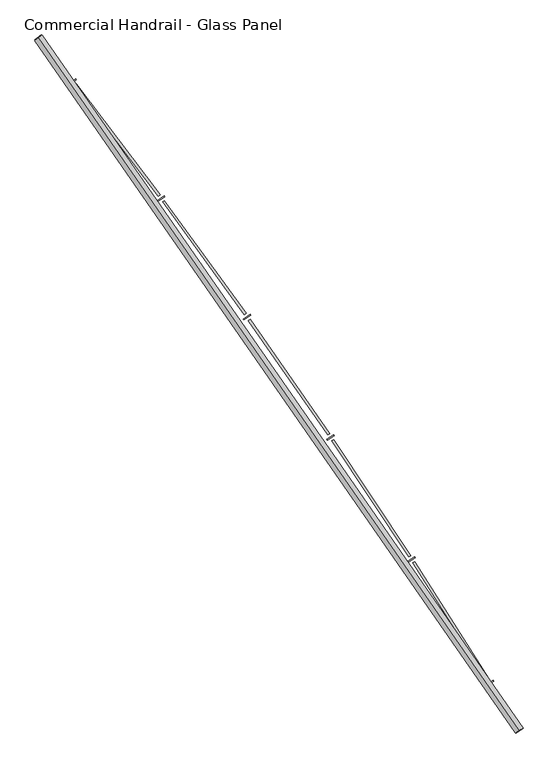
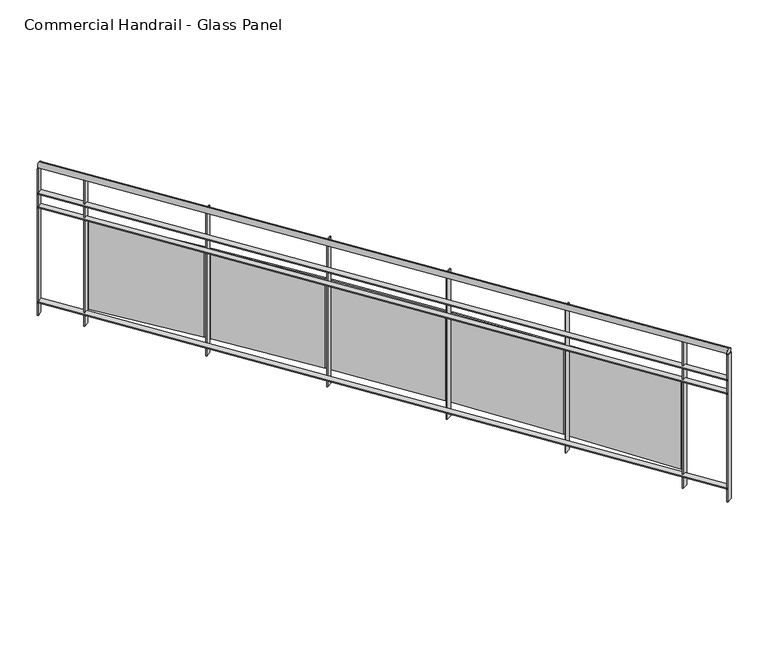
"""IFC4 building model written with IfcOpenShell, lengths in millimetres: railing geometry, Commercial Handrail - Glass Panel."""

from ifc_helpers import new_model, si_unit, point, frame, origin, place, context, project, spatial, polyline, circle_curve, ellipse_curve, trimmed, outline, extrude, source, transform, mapped, element, save
from ifc_brep_helpers import plane_surface, cylinder_surface, revolved_surface, advanced_brep


def commercial_handrail_glass_panel_f2c278e4(model_context):
    return source(origin(), model_context, "Body", "SolidModel", [
        advanced_brep(
        [(174947.1226561, -30258.7265853, 19682.5), (172321.2493354, -26475.2644148, 19682.5), (172321.2493354, -26475.2644148, 19717.5), (174947.1226561, -30258.7265853, 19717.5)],
        [
            (0, 1, circle_curve(frame((141591.4318743, -50605.9420988, 19682.5), z_axis=(0.0, 0.0, 1.0), x_axis=(0.7864946016239663, 0.6175971515610791, 0.0)), 39071.873345)),
            (1, 2, ellipse_curve(frame((172321.2493354, -26475.2644148, 19700.0), z_axis=(0.6175971515610744, -0.78649460162397, 0.0), x_axis=(-0.78649460162397, -0.6175971515610744, 0.0)), 25.0, 17.5)),
            (2, 3, circle_curve(frame((141591.4318743, -50605.9420988, 19717.5), z_axis=(0.0, 0.0, -1.0), x_axis=(0.7864946016239663, 0.6175971515610791, 0.0)), 39071.873345)),
            (3, 0, ellipse_curve(frame((174947.1226561, -30258.7265853, 19700.0), z_axis=(-0.5207637559080609, 0.8537008319853798, 0.0), x_axis=(-0.8537008319853798, -0.5207637559080609, 0.0)), 25.0, 17.5)),
            (2, 1, ellipse_curve(frame((172321.2493354, -26475.2644148, 19700.0), z_axis=(0.6175971515610744, -0.78649460162397, 0.0), x_axis=(-0.78649460162397, -0.6175971515610744, 0.0)), 25.0, 17.5)),
            (0, 3, ellipse_curve(frame((174947.1226561, -30258.7265853, 19700.0), z_axis=(-0.5207637559080609, 0.8537008319853798, 0.0), x_axis=(-0.8537008319853798, -0.5207637559080609, 0.0)), 25.0, 17.5)),
        ],
        [
            revolved_surface(trimmed(ellipse_curve(frame((172321.2493354, -26475.2644148, 19700.0), z_axis=(-0.6175971515610791, 0.7864946016239663, 0.0), x_axis=(0.0, 0.0, -1.0)), 17.5, 25.0), [point((172321.2493354, -26475.2644148, 19717.5))], [point((172321.2493354, -26475.2644148, 19682.5))], True, "CARTESIAN"), (141591.4318743, -50605.9420988, 19700.0), (0.0, 0.0, -1.0)),
            revolved_surface(trimmed(ellipse_curve(frame((172321.2493354, -26475.2644148, 19700.0), z_axis=(-0.6175971515610791, 0.7864946016239663, 0.0), x_axis=(0.0, 0.0, -1.0)), 17.5, 25.0), [point((172321.2493354, -26475.2644148, 19682.5))], [point((172321.2493354, -26475.2644148, 19717.5))], True, "CARTESIAN"), (141591.4318743, -50605.9420988, 19700.0), (0.0, 0.0, -1.0)),
            plane_surface(frame((172321.2493354, -26475.2644148, 19700.0), z_axis=(-0.6175971515610791, 0.7864946016239663, 0.0), x_axis=(0.7864946016239663, 0.6175971515610791, 0.0))),
            plane_surface(frame((174947.1226561, -30258.7265853, 19700.0), z_axis=(0.5207637559080605, -0.85370083198538, 0.0), x_axis=(0.85370083198538, 0.5207637559080605, 0.0))),
        ],
        [
            (0, [[1, 2, 3, 4]]),
            (1, [[-3, 5, -1, 6]]),
            (2, [[-2, -5]]),
            (3, [[-6, -4]]),
        ],
    ),
        advanced_brep(
        [(174966.3309248, -30247.0094008, 19500.0), (172338.945464, -26461.3684789, 19500.0), (172303.5532069, -26489.1603507, 19500.0), (174927.9143874, -30270.4437698, 19500.0), (174966.3309248, -30247.0094008, 19494.0), (172338.945464, -26461.3684789, 19494.0), (174927.9143874, -30270.4437698, 19494.0), (172303.5532069, -26489.1603507, 19494.0)],
        [
            (0, 1, circle_curve(frame((141591.4318743, -50605.9420988, 19500.0), z_axis=(0.0, 0.0, 1.0), x_axis=(0.7864946016239663, 0.6175971515610791, 0.0)), 39094.373345)),
            (1, 2),
            (2, 3, circle_curve(frame((141591.4318743, -50605.9420988, 19500.0), z_axis=(0.0, 0.0, -1.0), x_axis=(0.7864946016239663, 0.6175971515610791, 0.0)), 39049.373345)),
            (3, 0),
            (4, 5, circle_curve(frame((141591.4318743, -50605.9420988, 19494.0), z_axis=(0.0, 0.0, 1.0), x_axis=(0.7864946016239663, 0.6175971515610791, 0.0)), 39094.373345)),
            (5, 1),
            (0, 4),
            (6, 7, circle_curve(frame((141591.4318743, -50605.9420988, 19494.0), z_axis=(0.0, 0.0, 1.0), x_axis=(0.7864946016239663, 0.6175971515610791, 0.0)), 39049.373345)),
            (7, 5),
            (4, 6),
            (2, 7),
            (6, 3),
        ],
        [
            plane_surface(frame((141591.4318743, -50605.9420988, 19500.0), z_axis=(0.0, 0.0, 1.0), x_axis=(0.7864946016239663, 0.6175971515610791, 0.0))),
            cylinder_surface(frame((141591.4318743, -50605.9420988, 19500.0), z_axis=(0.0, 0.0, -1.0), x_axis=(0.7864946016239663, 0.6175971515610791, 0.0)), 39094.373345),
            plane_surface(frame((141591.4318743, -50605.9420988, 19494.0), z_axis=(0.0, 0.0, -1.0), x_axis=(0.7864946016239663, 0.6175971515610791, 0.0))),
            revolved_surface(polyline([(172303.55320694132, -26489.160350682872, 19494.0), (172303.55320694132, -26489.160350682872, 19500.0)]), (141591.4318743, -50605.9420988, 19500.0), (0.0, 0.0, -1.0)),
            plane_surface(frame((172321.2493354, -26475.2644148, 19500.0), z_axis=(-0.6175971515610791, 0.7864946016239663, 0.0), x_axis=(0.7864946016239663, 0.6175971515610791, 0.0))),
            plane_surface(frame((174947.1226561, -30258.7265853, 19500.0), z_axis=(0.5207637559080605, -0.85370083198538, 0.0), x_axis=(0.85370083198538, 0.5207637559080605, 0.0))),
        ],
        [
            (0, [[1, 2, 3, 4]]),
            (1, [[5, 6, -1, 7]]),
            (2, [[8, 9, -5, 10]]),
            (3, [[-3, 11, -8, 12]]),
            (4, [[-2, -6, -9, -11]]),
            (5, [[-12, -10, -7, -4]]),
        ],
    ),
        advanced_brep(
        [(174966.3309248, -30247.0094008, 19400.0), (172338.945464, -26461.3684789, 19400.0), (172303.5532069, -26489.1603507, 19400.0), (174927.9143874, -30270.4437698, 19400.0), (174966.3309248, -30247.0094008, 19394.0), (172338.945464, -26461.3684789, 19394.0), (174927.9143874, -30270.4437698, 19394.0), (172303.5532069, -26489.1603507, 19394.0)],
        [
            (0, 1, circle_curve(frame((141591.4318743, -50605.9420988, 19400.0), z_axis=(0.0, 0.0, 1.0), x_axis=(0.7864946016239663, 0.6175971515610791, 0.0)), 39094.373345)),
            (1, 2),
            (2, 3, circle_curve(frame((141591.4318743, -50605.9420988, 19400.0), z_axis=(0.0, 0.0, -1.0), x_axis=(0.7864946016239663, 0.6175971515610791, 0.0)), 39049.373345)),
            (3, 0),
            (4, 5, circle_curve(frame((141591.4318743, -50605.9420988, 19394.0), z_axis=(0.0, 0.0, 1.0), x_axis=(0.7864946016239663, 0.6175971515610791, 0.0)), 39094.373345)),
            (5, 1),
            (0, 4),
            (6, 7, circle_curve(frame((141591.4318743, -50605.9420988, 19394.0), z_axis=(0.0, 0.0, 1.0), x_axis=(0.7864946016239663, 0.6175971515610791, 0.0)), 39049.373345)),
            (7, 5),
            (4, 6),
            (2, 7),
            (6, 3),
        ],
        [
            plane_surface(frame((141591.4318743, -50605.9420988, 19400.0), z_axis=(0.0, 0.0, 1.0), x_axis=(0.7864946016239663, 0.6175971515610791, 0.0))),
            cylinder_surface(frame((141591.4318743, -50605.9420988, 19400.0), z_axis=(0.0, 0.0, -1.0), x_axis=(0.7864946016239663, 0.6175971515610791, 0.0)), 39094.373345),
            plane_surface(frame((141591.4318743, -50605.9420988, 19394.0), z_axis=(0.0, 0.0, -1.0), x_axis=(0.7864946016239663, 0.6175971515610791, 0.0))),
            revolved_surface(polyline([(172303.55320694132, -26489.160350682872, 19394.0), (172303.55320694132, -26489.160350682872, 19400.0)]), (141591.4318743, -50605.9420988, 19400.0), (0.0, 0.0, -1.0)),
            plane_surface(frame((172321.2493354, -26475.2644148, 19400.0), z_axis=(-0.6175971515610791, 0.7864946016239663, 0.0), x_axis=(0.7864946016239663, 0.6175971515610791, 0.0))),
            plane_surface(frame((174947.1226561, -30258.7265853, 19400.0), z_axis=(0.5207637559080605, -0.85370083198538, 0.0), x_axis=(0.85370083198538, 0.5207637559080605, 0.0))),
        ],
        [
            (0, [[1, 2, 3, 4]]),
            (1, [[5, 6, -1, 7]]),
            (2, [[8, 9, -5, 10]]),
            (3, [[-3, 11, -8, 12]]),
            (4, [[-2, -6, -9, -11]]),
            (5, [[-12, -10, -7, -4]]),
        ],
    ),
        advanced_brep(
        [(174966.3309248, -30247.0094008, 18700.0), (172338.945464, -26461.3684789, 18700.0), (172303.5532069, -26489.1603507, 18700.0), (174927.9143874, -30270.4437698, 18700.0), (174966.3309248, -30247.0094008, 18694.0), (172338.945464, -26461.3684789, 18694.0), (174927.9143874, -30270.4437698, 18694.0), (172303.5532069, -26489.1603507, 18694.0)],
        [
            (0, 1, circle_curve(frame((141591.4318743, -50605.9420988, 18700.0), z_axis=(0.0, 0.0, 1.0), x_axis=(0.7864946016239663, 0.6175971515610791, 0.0)), 39094.373345)),
            (1, 2),
            (2, 3, circle_curve(frame((141591.4318743, -50605.9420988, 18700.0), z_axis=(0.0, 0.0, -1.0), x_axis=(0.7864946016239663, 0.6175971515610791, 0.0)), 39049.373345)),
            (3, 0),
            (4, 5, circle_curve(frame((141591.4318743, -50605.9420988, 18694.0), z_axis=(0.0, 0.0, 1.0), x_axis=(0.7864946016239663, 0.6175971515610791, 0.0)), 39094.373345)),
            (5, 1),
            (0, 4),
            (6, 7, circle_curve(frame((141591.4318743, -50605.9420988, 18694.0), z_axis=(0.0, 0.0, 1.0), x_axis=(0.7864946016239663, 0.6175971515610791, 0.0)), 39049.373345)),
            (7, 5),
            (4, 6),
            (2, 7),
            (6, 3),
        ],
        [
            plane_surface(frame((141591.4318743, -50605.9420988, 18700.0), z_axis=(0.0, 0.0, 1.0), x_axis=(0.7864946016239663, 0.6175971515610791, 0.0))),
            cylinder_surface(frame((141591.4318743, -50605.9420988, 18700.0), z_axis=(0.0, 0.0, -1.0), x_axis=(0.7864946016239663, 0.6175971515610791, 0.0)), 39094.373345),
            plane_surface(frame((141591.4318743, -50605.9420988, 18694.0), z_axis=(0.0, 0.0, -1.0), x_axis=(0.7864946016239663, 0.6175971515610791, 0.0))),
            revolved_surface(polyline([(172303.55320694132, -26489.160350682872, 18694.0), (172303.55320694132, -26489.160350682872, 18700.0)]), (141591.4318743, -50605.9420988, 18700.0), (0.0, 0.0, -1.0)),
            plane_surface(frame((172321.2493354, -26475.2644148, 18700.0), z_axis=(-0.6175971515610791, 0.7864946016239663, 0.0), x_axis=(0.7864946016239663, 0.6175971515610791, 0.0))),
            plane_surface(frame((174947.1226561, -30258.7265853, 18700.0), z_axis=(0.5207637559080605, -0.85370083198538, 0.0), x_axis=(0.85370083198538, 0.5207637559080605, 0.0))),
        ],
        [
            (0, [[1, 2, 3, 4]]),
            (1, [[5, 6, -1, 7]]),
            (2, [[8, 9, -5, 10]]),
            (3, [[-3, 11, -8, 12]]),
            (4, [[-2, -6, -9, -11]]),
            (5, [[-12, -10, -7, -4]]),
        ],
    ),
        extrude(outline(polyline([(174767.0827529, -30009.1035934), (174805.3157733, -29985.3709966), (174808.4801195, -29990.4687326), (174770.2470991, -30014.2013295), (174767.0827529, -30009.1035934)])), frame((0.0, 0.0, 18600.0), z_axis=(0.0, 0.0, 1.0), x_axis=(1.0, 0.0, 0.0)), (0.0, 0.0, 1.0), 1082.1192282),
        extrude(outline(polyline([(174376.4508905, -29337.0184477), (174783.8574789, -29978.5945319), (174773.7273302, -29985.0272675), (174366.3207418, -29343.4511834), (174376.4508905, -29337.0184477)])), frame((0.0, 0.0, 18720.0), z_axis=(0.0, 0.0, 1.0), x_axis=(1.0, 0.0, 0.0)), (0.0, 0.0, 1.0), 660.0),
        extrude(outline(polyline([(174338.4363039, -29334.1939685), (174376.1754174, -29309.6835764), (174379.4434696, -29314.7154582), (174341.7043562, -29339.2258503), (174338.4363039, -29334.1939685)])), frame((0.0, 0.0, 18600.0), z_axis=(0.0, 0.0, 1.0), x_axis=(1.0, 0.0, 0.0)), (0.0, 0.0, 1.0), 1082.1192282),
        extrude(outline(polyline([(173934.1262806, -28670.2473592), (174354.5828818, -29303.3478619), (174344.5865581, -29309.9866503), (173924.1299568, -28676.8861476), (173934.1262806, -28670.2473592)])), frame((0.0, 0.0, 18720.0), z_axis=(0.0, 0.0, 1.0), x_axis=(1.0, 0.0, 0.0)), (0.0, 0.0, 1.0), 660.0),
        extrude(outline(polyline([(173896.0618347, -28668.2017695), (173933.2912204, -28642.9238574), (173936.6616087, -28647.8877755), (173899.432223, -28673.1656876), (173896.0618347, -28668.2017695)])), frame((0.0, 0.0, 18600.0), z_axis=(0.0, 0.0, 1.0), x_axis=(1.0, 0.0, 0.0)), (0.0, 0.0, 1.0), 1082.1192282),
        extrude(outline(polyline([(173478.243143, -28012.6720327), (173911.5734956, -28637.031549), (173901.7151874, -28643.8736072), (173468.3848349, -28019.5140909), (173478.243143, -28012.6720327)])), frame((0.0, 0.0, 18720.0), z_axis=(0.0, 0.0, 1.0), x_axis=(1.0, 0.0, 0.0)), (0.0, 0.0, 1.0), 660.0),
        extrude(outline(polyline([(173440.1447951, -28011.4061902), (173476.848846, -27985.3713549), (173480.3201573, -27990.2652284), (173443.6161065, -28016.3000637), (173440.1447951, -28011.4061902)])), frame((0.0, 0.0, 18600.0), z_axis=(0.0, 0.0, 1.0), x_axis=(1.0, 0.0, 0.0)), (0.0, 0.0, 1.0), 1082.1192282),
        extrude(outline(polyline([(173008.9925907, -27364.5681335), (173455.0150362, -27979.9249228), (173445.2988764, -27986.9673824), (172999.2764309, -27371.6105932), (173008.9925907, -27364.5681335)])), frame((0.0, 0.0, 18720.0), z_axis=(0.0, 0.0, 1.0), x_axis=(1.0, 0.0, 0.0)), (0.0, 0.0, 1.0), 660.0),
        extrude(outline(polyline([(172970.876312, -27364.0825688), (173007.0396412, -27337.3017244), (173010.6104205, -27342.1235017), (172974.4470913, -27368.904346), (172970.876312, -27364.0825688)])), frame((0.0, 0.0, 18600.0), z_axis=(0.0, 0.0, 1.0), x_axis=(1.0, 0.0, 0.0)), (0.0, 0.0, 1.0), 1082.1192282),
        extrude(outline(polyline([(172526.5713403, -26726.207356), (172985.0988996, -27332.3034518), (172975.5289613, -27339.5433607), (172517.0014019, -26733.4472649), (172526.5713403, -26726.207356)])), frame((0.0, 0.0, 18720.0), z_axis=(0.0, 0.0, 1.0), x_axis=(1.0, 0.0, 0.0)), (0.0, 0.0, 1.0), 660.0),
        extrude(outline(polyline([(172488.4531098, -26726.5022727), (172524.0605571, -26698.9866462), (172527.7293072, -26703.7343059), (172492.12186, -26731.2499323), (172488.4531098, -26726.5022727)])), frame((0.0, 0.0, 18600.0), z_axis=(0.0, 0.0, 1.0), x_axis=(1.0, 0.0, 0.0)), (0.0, 0.0, 1.0), 1082.1192282),
        extrude(outline(polyline([(174926.3520961, -30267.8826673), (174964.7686336, -30244.4482983), (174967.8932161, -30249.5705033), (174929.4766787, -30273.0048723), (174926.3520961, -30267.8826673)])), frame((0.0, 0.0, 18600.0), z_axis=(0.0, 0.0, 1.0), x_axis=(1.0, 0.0, 0.0)), (0.0, 0.0, 1.0), 1082.1192282),
        extrude(outline(polyline([(172301.7004154, -26486.8008669), (172337.0926725, -26459.0089951), (172340.7982554, -26463.7279627), (172305.4059984, -26491.5198345), (172301.7004154, -26486.8008669)])), frame((0.0, 0.0, 18600.0), z_axis=(0.0, 0.0, 1.0), x_axis=(1.0, 0.0, 0.0)), (0.0, 0.0, 1.0), 1082.1192282),
    ])


if __name__ == "__main__":
    model = new_model("IFC4")
    model_context = context("Model", 3, world=origin())
    ifc_project = project(units=[si_unit("LENGTHUNIT", "METRE", prefix="MILLI")], contexts=[model_context])
    site = spatial("IfcSite", under=ifc_project)
    building = spatial("IfcBuilding", under=site)
    placement = place(None, origin())
    commercial_handrail_glass_panel_shape = commercial_handrail_glass_panel_f2c278e4(model_context)
    element("IfcRailing", 1, ObjectType="Commercial Handrail - Glass Panel", at=placement, inside=building, context=model_context, shape_type="MappedRepresentation", body=[
        mapped(commercial_handrail_glass_panel_shape, transform((0.0, 0.0, 0.0), x_axis=(1.0, 0.0, 0.0), y_axis=(0.0, 1.0, 0.0), z_axis=(0.0, 0.0, 1.0))),
    ])
    save(model, "model.ifc")
